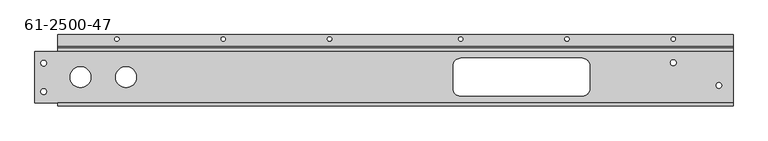
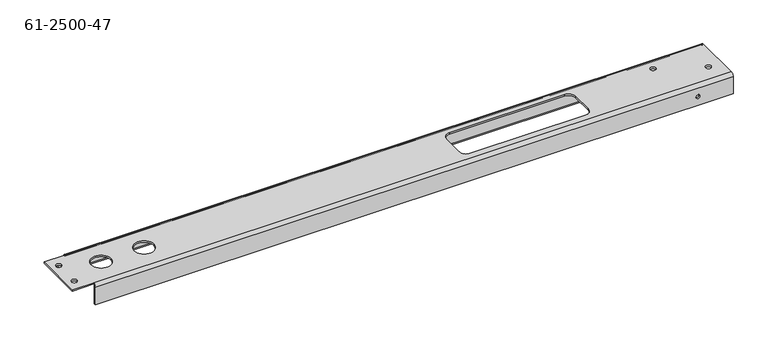
"""IFC4 building model written with IfcOpenShell, lengths in millimetres: proxy geometry, 61-2500-47."""

from ifc_helpers import new_model, si_unit, frame, origin, place, context, project, spatial, polyline, circle_curve, source, transform, mapped, element, save
from ifc_brep_helpers import plane_surface, cylinder_surface, revolved_surface, advanced_brep


def proxy_61_2500_47_b672dbe0(model_context):
    return source(origin(), model_context, "Body", "AdvancedBrep", [
        advanced_brep(
        [(169.8625, -48.41875, 0.0), (169.8625, -48.41875, 2.75336), (134.9375, -48.41875, 2.75336), (134.9375, -48.41875, 0.0), (93.6625, -48.41875, 0.0), (93.6625, -48.41875, 2.75336), (58.7375, -48.41875, 2.75336), (58.7375, -48.41875, 0.0), (19.44624, -72.67956, 0.0), (19.44624, -72.67956, 2.75336), (9.92124, -72.67956, 2.75336), (9.92124, -72.67956, 0.0), (19.44624, -24.9555, 0.0), (19.44624, -24.9555, 2.75336), (9.92124, -24.9555, 2.75336), (9.92124, -24.9555, 0.0), (1062.82998, -24.23414, 2.75336), (1062.82998, -24.23414, 0.0), (1072.35498, -24.23414, 0.0), (1072.35498, -24.23414, 2.75336), (1139.02998, -62.33414, 2.75336), (1139.02998, -62.33414, 0.0), (1148.55498, -62.33414, 0.0), (1148.55498, -62.33414, 2.75336), (1108.86748, -96.8375, -19.05), (1108.86748, -94.08414, -19.05), (1102.51748, -94.08414, -19.05), (1102.51748, -96.8375, -19.05), (140.73378, 15.45336, -35.34664), (140.73378, 15.45336, -32.59328), (133.49478, 15.45336, -32.59328), (133.49478, 15.45336, -35.34664), (496.33378, 15.45336, -35.34664), (496.33378, 15.45336, -32.59328), (489.09478, 15.45336, -32.59328), (489.09478, 15.45336, -35.34664), (893.41198, 15.45336, -35.34664), (893.41198, 15.45336, -32.59328), (886.17298, 15.45336, -32.59328), (886.17298, 15.45336, -35.34664), (1071.21198, 15.45336, -35.34664), (1071.21198, 15.45336, -32.59328), (1063.97298, 15.45336, -32.59328), (1063.97298, 15.45336, -35.34664), (715.61198, 15.45336, -35.34664), (715.61198, 15.45336, -32.59328), (708.37298, 15.45336, -32.59328), (708.37298, 15.45336, -35.34664), (318.53378, 15.45336, -35.34664), (318.53378, 15.45336, -32.59328), (311.29478, 15.45336, -32.59328), (311.29478, 15.45336, -35.34664), (1167.60498, 0.0, -2.75336), (1167.60498, -5.50672, 2.75336), (1167.60498, -91.33078, 2.75336), (1167.60498, -96.8375, -2.75336), (1167.60498, -96.8375, -35.34664), (1167.60498, -94.08414, -35.34664), (1167.60498, -94.08414, -2.75336), (1167.60498, -91.33078, 0.0), (1167.60498, -5.50672, 0.0), (1167.60498, -2.75336, -2.75336), (1167.60498, -2.75336, -29.83992), (1167.60498, 2.75336, -35.34664), (1167.60498, 22.64664, -35.34664), (1167.60498, 22.64664, -32.59328), (1167.60498, 2.75336, -32.59328), (1167.60498, 0.0, -29.83992), (38.1, -2.75336, -2.75336), (38.1, -2.75336, -29.83992), (38.1, -5.50672, 0.0), (38.1, -91.33078, 0.0), (0.0, -91.33078, 0.0), (0.0, -5.50672, 0.0), (915.19248, -16.68018, 0.0), (711.99248, -16.68018, 0.0), (699.29248, -29.38018, 0.0), (699.29248, -67.48018, 0.0), (711.99248, -80.18018, 0.0), (915.19248, -80.18018, 0.0), (927.89248, -67.48018, 0.0), (927.89248, -29.38018, 0.0), (38.1, -94.08414, -2.75336), (38.1, -94.08414, -35.34664), (38.1, -96.8375, -35.34664), (38.1, -96.8375, -2.75336), (38.1, -91.33078, 2.75336), (38.1, 2.75336, -32.59328), (38.1, 0.0, -29.83992), (38.1, 22.64664, -32.59328), (38.1, 22.64664, -35.34664), (38.1, 2.75336, -35.34664), (915.19248, -16.68018, 2.75336), (711.99248, -16.68018, 2.75336), (699.29248, -29.38018, 2.75336), (699.29248, -67.48018, 2.75336), (711.99248, -80.18018, 2.75336), (915.19248, -80.18018, 2.75336), (927.89248, -67.48018, 2.75336), (927.89248, -29.38018, 2.75336), (38.1, 0.0, -2.75336), (0.0, -91.33078, 2.75336), (38.1, -5.50672, 2.75336), (0.0, -5.50672, 2.75336)],
        [
            (0, 1),
            (1, 2, circle_curve(frame((152.4, -48.41875, 2.75336), z_axis=(0.0, 0.0, 1.0), x_axis=(1.0, 0.0, 0.0)), 17.4625)),
            (2, 3),
            (3, 0, circle_curve(frame((152.4, -48.41875, 0.0), z_axis=(0.0, 0.0, -1.0), x_axis=(1.0, 0.0, 0.0)), 17.4625)),
            (4, 5),
            (5, 6, circle_curve(frame((76.2, -48.41875, 2.75336), z_axis=(0.0, 0.0, 1.0), x_axis=(1.0, 0.0, 0.0)), 17.4625)),
            (6, 7),
            (7, 4, circle_curve(frame((76.2, -48.41875, 0.0), z_axis=(0.0, 0.0, -1.0), x_axis=(1.0, 0.0, 0.0)), 17.4625)),
            (8, 9),
            (9, 10, circle_curve(frame((14.68374, -72.67956, 2.75336), z_axis=(0.0, 0.0, 1.0), x_axis=(1.0, 0.0, 0.0)), 4.7625)),
            (10, 11),
            (11, 8, circle_curve(frame((14.68374, -72.67956, 0.0), z_axis=(0.0, 0.0, -1.0), x_axis=(1.0, 0.0, 0.0)), 4.7625)),
            (12, 13),
            (13, 14, circle_curve(frame((14.68374, -24.9555, 2.75336), z_axis=(0.0, 0.0, 1.0), x_axis=(1.0, 0.0, 0.0)), 4.7625)),
            (14, 15),
            (15, 12, circle_curve(frame((14.68374, -24.9555, 0.0), z_axis=(0.0, 0.0, -1.0), x_axis=(1.0, 0.0, 0.0)), 4.7625)),
            (16, 17),
            (17, 18, circle_curve(frame((1067.59248, -24.23414, 0.0), z_axis=(0.0, 0.0, -1.0), x_axis=(-1.0, 0.0, 0.0)), 4.7625)),
            (18, 19),
            (19, 16, circle_curve(frame((1067.59248, -24.23414, 2.75336), z_axis=(0.0, 0.0, 1.0), x_axis=(-1.0, 0.0, 0.0)), 4.7625)),
            (20, 21),
            (21, 22, circle_curve(frame((1143.79248, -62.33414, 0.0), z_axis=(0.0, 0.0, -1.0), x_axis=(-1.0, 0.0, 0.0)), 4.7625)),
            (22, 23),
            (23, 20, circle_curve(frame((1143.79248, -62.33414, 2.75336), z_axis=(0.0, 0.0, 1.0), x_axis=(-1.0, 0.0, 0.0)), 4.7625)),
            (24, 25),
            (25, 26, circle_curve(frame((1105.69248, -94.08414, -19.05), z_axis=(0.0, 1.0, 0.0), x_axis=(1.0, 0.0, 0.0)), 3.175)),
            (26, 27),
            (27, 24, circle_curve(frame((1105.69248, -96.8375, -19.05), z_axis=(0.0, -1.0, 0.0), x_axis=(1.0, 0.0, 0.0)), 3.175)),
            (28, 29),
            (29, 30, circle_curve(frame((137.11428, 15.45336, -32.59328), z_axis=(0.0, 0.0, 1.0), x_axis=(1.0, 0.0, 0.0)), 3.6195)),
            (30, 31),
            (31, 28, circle_curve(frame((137.11428, 15.45336, -35.34664), z_axis=(0.0, 0.0, -1.0), x_axis=(1.0, 0.0, 0.0)), 3.6195)),
            (32, 33),
            (33, 34, circle_curve(frame((492.71428, 15.45336, -32.59328), z_axis=(0.0, 0.0, 1.0), x_axis=(1.0, 0.0, 0.0)), 3.6195)),
            (34, 35),
            (35, 32, circle_curve(frame((492.71428, 15.45336, -35.34664), z_axis=(0.0, 0.0, -1.0), x_axis=(1.0, 0.0, 0.0)), 3.6195)),
            (36, 37),
            (37, 38, circle_curve(frame((889.79248, 15.45336, -32.59328), z_axis=(0.0, 0.0, 1.0), x_axis=(1.0, 0.0, 0.0)), 3.6195)),
            (38, 39),
            (39, 36, circle_curve(frame((889.79248, 15.45336, -35.34664), z_axis=(0.0, 0.0, -1.0), x_axis=(1.0, 0.0, 0.0)), 3.6195)),
            (40, 41),
            (41, 42, circle_curve(frame((1067.59248, 15.45336, -32.59328), z_axis=(0.0, 0.0, 1.0), x_axis=(1.0, 0.0, 0.0)), 3.6195)),
            (42, 43),
            (43, 40, circle_curve(frame((1067.59248, 15.45336, -35.34664), z_axis=(0.0, 0.0, -1.0), x_axis=(1.0, 0.0, 0.0)), 3.6195)),
            (44, 45),
            (45, 46, circle_curve(frame((711.99248, 15.45336, -32.59328), z_axis=(0.0, 0.0, 1.0), x_axis=(1.0, 0.0, 0.0)), 3.6195)),
            (46, 47),
            (47, 44, circle_curve(frame((711.99248, 15.45336, -35.34664), z_axis=(0.0, 0.0, -1.0), x_axis=(1.0, 0.0, 0.0)), 3.6195)),
            (48, 49),
            (49, 50, circle_curve(frame((314.91428, 15.45336, -32.59328), z_axis=(0.0, 0.0, 1.0), x_axis=(1.0, 0.0, 0.0)), 3.6195)),
            (50, 51),
            (51, 48, circle_curve(frame((314.91428, 15.45336, -35.34664), z_axis=(0.0, 0.0, -1.0), x_axis=(1.0, 0.0, 0.0)), 3.6195)),
            (48, 51, circle_curve(frame((314.91428, 15.45336, -35.34664), z_axis=(0.0, 0.0, -1.0), x_axis=(1.0, 0.0, 0.0)), 3.6195)),
            (50, 49, circle_curve(frame((314.91428, 15.45336, -32.59328), z_axis=(0.0, 0.0, 1.0), x_axis=(1.0, 0.0, 0.0)), 3.6195)),
            (44, 47, circle_curve(frame((711.99248, 15.45336, -35.34664), z_axis=(0.0, 0.0, -1.0), x_axis=(1.0, 0.0, 0.0)), 3.6195)),
            (46, 45, circle_curve(frame((711.99248, 15.45336, -32.59328), z_axis=(0.0, 0.0, 1.0), x_axis=(1.0, 0.0, 0.0)), 3.6195)),
            (40, 43, circle_curve(frame((1067.59248, 15.45336, -35.34664), z_axis=(0.0, 0.0, -1.0), x_axis=(1.0, 0.0, 0.0)), 3.6195)),
            (42, 41, circle_curve(frame((1067.59248, 15.45336, -32.59328), z_axis=(0.0, 0.0, 1.0), x_axis=(1.0, 0.0, 0.0)), 3.6195)),
            (36, 39, circle_curve(frame((889.79248, 15.45336, -35.34664), z_axis=(0.0, 0.0, -1.0), x_axis=(1.0, 0.0, 0.0)), 3.6195)),
            (38, 37, circle_curve(frame((889.79248, 15.45336, -32.59328), z_axis=(0.0, 0.0, 1.0), x_axis=(1.0, 0.0, 0.0)), 3.6195)),
            (32, 35, circle_curve(frame((492.71428, 15.45336, -35.34664), z_axis=(0.0, 0.0, -1.0), x_axis=(1.0, 0.0, 0.0)), 3.6195)),
            (34, 33, circle_curve(frame((492.71428, 15.45336, -32.59328), z_axis=(0.0, 0.0, 1.0), x_axis=(1.0, 0.0, 0.0)), 3.6195)),
            (28, 31, circle_curve(frame((137.11428, 15.45336, -35.34664), z_axis=(0.0, 0.0, -1.0), x_axis=(1.0, 0.0, 0.0)), 3.6195)),
            (30, 29, circle_curve(frame((137.11428, 15.45336, -32.59328), z_axis=(0.0, 0.0, 1.0), x_axis=(1.0, 0.0, 0.0)), 3.6195)),
            (24, 27, circle_curve(frame((1105.69248, -96.8375, -19.05), z_axis=(0.0, -1.0, 0.0), x_axis=(1.0, 0.0, 0.0)), 3.175)),
            (26, 25, circle_curve(frame((1105.69248, -94.08414, -19.05), z_axis=(0.0, 1.0, 0.0), x_axis=(1.0, 0.0, 0.0)), 3.175)),
            (20, 23, circle_curve(frame((1143.79248, -62.33414, 2.75336), z_axis=(0.0, 0.0, 1.0), x_axis=(-1.0, 0.0, 0.0)), 4.7625)),
            (22, 21, circle_curve(frame((1143.79248, -62.33414, 0.0), z_axis=(0.0, 0.0, -1.0), x_axis=(-1.0, 0.0, 0.0)), 4.7625)),
            (16, 19, circle_curve(frame((1067.59248, -24.23414, 2.75336), z_axis=(0.0, 0.0, 1.0), x_axis=(-1.0, 0.0, 0.0)), 4.7625)),
            (18, 17, circle_curve(frame((1067.59248, -24.23414, 0.0), z_axis=(0.0, 0.0, -1.0), x_axis=(-1.0, 0.0, 0.0)), 4.7625)),
            (52, 53, circle_curve(frame((1167.60498, -5.50672, -2.75336), z_axis=(1.0, 0.0, 0.0), x_axis=(0.0, 0.0, 1.0)), 5.50672)),
            (53, 54),
            (54, 55, circle_curve(frame((1167.60498, -91.33078, -2.75336), z_axis=(1.0, 0.0, 0.0), x_axis=(0.0, 0.0, 1.0)), 5.50672)),
            (55, 56),
            (56, 57),
            (57, 58),
            (58, 59, circle_curve(frame((1167.60498, -91.33078, -2.75336), z_axis=(-1.0, 0.0, 0.0), x_axis=(0.0, 0.0, 1.0)), 2.75336)),
            (59, 60),
            (60, 61, circle_curve(frame((1167.60498, -5.50672, -2.75336), z_axis=(-1.0, 0.0, 0.0), x_axis=(0.0, 0.0, 1.0)), 2.75336)),
            (61, 62),
            (62, 63, circle_curve(frame((1167.60498, 2.75336, -29.83992), z_axis=(1.0, 0.0, 0.0), x_axis=(0.0, -1.0, 0.0)), 5.50672)),
            (63, 64),
            (64, 65),
            (65, 66),
            (66, 67, circle_curve(frame((1167.60498, 2.75336, -29.83992), z_axis=(-1.0, 0.0, 0.0), x_axis=(0.0, -1.0, 0.0)), 2.75336)),
            (67, 52),
            (61, 68),
            (68, 69),
            (69, 62),
            (60, 70),
            (70, 68, circle_curve(frame((38.1, -5.50672, -2.75336), z_axis=(-1.0, 0.0, 0.0), x_axis=(0.0, 0.0, 1.0)), 2.75336)),
            (59, 71),
            (71, 72),
            (72, 73),
            (73, 70),
            (11, 8, circle_curve(frame((14.68374, -72.67956, 0.0), z_axis=(0.0, 0.0, 1.0), x_axis=(1.0, 0.0, 0.0)), 4.7625)),
            (15, 12, circle_curve(frame((14.68374, -24.9555, 0.0), z_axis=(0.0, 0.0, 1.0), x_axis=(1.0, 0.0, 0.0)), 4.7625)),
            (74, 75),
            (75, 76, circle_curve(frame((711.99248, -29.38018, 0.0), z_axis=(0.0, 0.0, 1.0), x_axis=(0.0, -1.0, 0.0)), 12.7)),
            (76, 77),
            (77, 78, circle_curve(frame((711.99248, -67.48018, 0.0), z_axis=(0.0, 0.0, 1.0), x_axis=(1.0, 0.0, 0.0)), 12.7)),
            (78, 79),
            (79, 80, circle_curve(frame((915.19248, -67.48018, 0.0), z_axis=(0.0, 0.0, 1.0), x_axis=(0.0, 1.0, 0.0)), 12.7)),
            (80, 81),
            (81, 74, circle_curve(frame((915.19248, -29.38018, 0.0), z_axis=(0.0, 0.0, 1.0), x_axis=(-1.0, 0.0, 0.0)), 12.7)),
            (7, 4, circle_curve(frame((76.2, -48.41875, 0.0), z_axis=(0.0, 0.0, 1.0), x_axis=(1.0, 0.0, 0.0)), 17.4625)),
            (3, 0, circle_curve(frame((152.4, -48.41875, 0.0), z_axis=(0.0, 0.0, 1.0), x_axis=(1.0, 0.0, 0.0)), 17.4625)),
            (58, 82),
            (82, 71, circle_curve(frame((38.1, -91.33078, -2.75336), z_axis=(-1.0, 0.0, 0.0), x_axis=(0.0, 0.0, 1.0)), 2.75336)),
            (57, 83),
            (83, 82),
            (56, 84),
            (84, 83),
            (55, 85),
            (85, 84),
            (54, 86),
            (86, 85, circle_curve(frame((38.1, -91.33078, -2.75336), z_axis=(1.0, 0.0, 0.0), x_axis=(0.0, 0.0, 1.0)), 5.50672)),
            (66, 87),
            (87, 88, circle_curve(frame((38.1, 2.75336, -29.83992), z_axis=(-1.0, 0.0, 0.0), x_axis=(0.0, -1.0, 0.0)), 2.75336)),
            (88, 67),
            (65, 89),
            (89, 87),
            (64, 90),
            (90, 89),
            (63, 91),
            (91, 90),
            (69, 91, circle_curve(frame((38.1, 2.75336, -29.83992), z_axis=(1.0, 0.0, 0.0), x_axis=(0.0, -1.0, 0.0)), 5.50672)),
            (14, 13, circle_curve(frame((14.68374, -24.9555, 2.75336), z_axis=(0.0, 0.0, 1.0), x_axis=(1.0, 0.0, 0.0)), 4.7625)),
            (10, 9, circle_curve(frame((14.68374, -72.67956, 2.75336), z_axis=(0.0, 0.0, 1.0), x_axis=(1.0, 0.0, 0.0)), 4.7625)),
            (74, 92),
            (92, 93),
            (93, 75),
            (93, 94, circle_curve(frame((711.99248, -29.38018, 2.75336), z_axis=(0.0, 0.0, 1.0), x_axis=(0.0, -1.0, 0.0)), 12.7)),
            (94, 76),
            (94, 95),
            (95, 77),
            (95, 96, circle_curve(frame((711.99248, -67.48018, 2.75336), z_axis=(0.0, 0.0, 1.0), x_axis=(1.0, 0.0, 0.0)), 12.7)),
            (96, 78),
            (96, 97),
            (97, 79),
            (97, 98, circle_curve(frame((915.19248, -67.48018, 2.75336), z_axis=(0.0, 0.0, 1.0), x_axis=(0.0, 1.0, 0.0)), 12.7)),
            (98, 80),
            (98, 99),
            (99, 81),
            (99, 92, circle_curve(frame((915.19248, -29.38018, 2.75336), z_axis=(0.0, 0.0, 1.0), x_axis=(-1.0, 0.0, 0.0)), 12.7)),
            (6, 5, circle_curve(frame((76.2, -48.41875, 2.75336), z_axis=(0.0, 0.0, 1.0), x_axis=(1.0, 0.0, 0.0)), 17.4625)),
            (2, 1, circle_curve(frame((152.4, -48.41875, 2.75336), z_axis=(0.0, 0.0, 1.0), x_axis=(1.0, 0.0, 0.0)), 17.4625)),
            (88, 100),
            (100, 52),
            (71, 86),
            (86, 101),
            (101, 72),
            (53, 102),
            (102, 103),
            (103, 101),
            (100, 102, circle_curve(frame((38.1, -5.50672, -2.75336), z_axis=(1.0, 0.0, 0.0), x_axis=(0.0, 0.0, 1.0)), 5.50672)),
            (102, 70),
            (73, 103),
        ],
        [
            revolved_surface(polyline([(169.8625, -48.41875, 2.753359999999999), (169.8625, -48.41875, 0.0)]), (152.4, -48.41875, -6.77164), (0.0, 0.0, 1.0)),
            revolved_surface(polyline([(93.6625, -48.41875, 2.753359999999999), (93.6625, -48.41875, 0.0)]), (76.2, -48.41875, -6.77164), (0.0, 0.0, 1.0)),
            revolved_surface(polyline([(19.44624, -72.67956, 2.75336), (19.44624, -72.67956, 0.0)]), (14.68374, -72.67956, 1.37668), (0.0, 0.0, 1.0)),
            revolved_surface(polyline([(19.44624, -24.9555, 2.75336), (19.44624, -24.9555, 0.0)]), (14.68374, -24.9555, 1.37668), (0.0, 0.0, 1.0)),
            revolved_surface(polyline([(1062.82998, -24.23414, 0.0), (1062.82998, -24.23414, 2.75336)]), (1067.59248, -24.23414, 1.37668), (0.0, 0.0, -1.0)),
            revolved_surface(polyline([(1139.02998, -62.33414, 0.0), (1139.02998, -62.33414, 2.75336)]), (1143.79248, -62.33414, 1.37668), (0.0, 0.0, -1.0)),
            revolved_surface(polyline([(1108.86748, -94.08414, -19.05), (1108.86748, -96.8375, -19.05)]), (1105.69248, -95.46082, -19.05), (0.0, 1.0, 0.0)),
            revolved_surface(polyline([(140.73378, 15.45336, -32.59328), (140.73378, 15.45336, -35.34664)]), (137.11428, 15.45336, -33.96996), (0.0, 0.0, 1.0)),
            revolved_surface(polyline([(496.33378, 15.45336, -32.59328), (496.33378, 15.45336, -35.34664)]), (492.71428, 15.45336, -33.96996), (0.0, 0.0, 1.0)),
            revolved_surface(polyline([(893.41198, 15.45336, -32.59328), (893.41198, 15.45336, -35.34664)]), (889.79248, 15.45336, -33.96996), (0.0, 0.0, 1.0)),
            revolved_surface(polyline([(1071.21198, 15.45336, -32.59328), (1071.21198, 15.45336, -35.34664)]), (1067.59248, 15.45336, -33.96996), (0.0, 0.0, 1.0)),
            revolved_surface(polyline([(715.61198, 15.45336, -32.59328), (715.61198, 15.45336, -35.34664)]), (711.99248, 15.45336, -33.96996), (0.0, 0.0, 1.0)),
            revolved_surface(polyline([(318.53378000000004, 15.45336, -32.59328), (318.53378000000004, 15.45336, -35.34664)]), (314.91428, 15.45336, -33.96996), (0.0, 0.0, 1.0)),
            plane_surface(frame((1167.60498, 107.4471231, 2.75336), z_axis=(1.0, 0.0, 0.0), x_axis=(0.0, 0.0, 1.0))),
            plane_surface(frame((1169.19248, -2.75336, -16.29664), z_axis=(0.0, -1.0, 0.0), x_axis=(0.0, 0.0, 1.0))),
            revolved_surface(polyline([(38.09999999999991, -5.50672, 0.0), (1167.60498, -5.50672, 0.0)]), (1169.19248, -5.50672, -2.75336), (-1.0, 0.0, 0.0)),
            plane_surface(frame((1169.19248, -48.41875, 0.0), z_axis=(0.0, 0.0, -1.0), x_axis=(1.0, 0.0, 0.0))),
            revolved_surface(polyline([(1167.60498, -91.33078, 0.0), (38.09999999999991, -91.33078, 0.0)]), (1169.19248, -91.33078, -2.75336), (1.0, 0.0, 0.0)),
            plane_surface(frame((1169.19248, -94.08414, -16.29664), z_axis=(0.0, 1.0, 0.0), x_axis=(0.0, 0.0, 1.0))),
            plane_surface(frame((38.1, -96.8375, -35.34664), z_axis=(0.0, 0.0, -1.0), x_axis=(-1.0, 0.0, 0.0))),
            plane_surface(frame((1169.19248, -96.8375, -16.29664), z_axis=(0.0, -1.0, 0.0), x_axis=(0.0, 0.0, 1.0))),
            cylinder_surface(frame((1169.19248, -91.33078, -2.75336), z_axis=(1.0, 0.0, 0.0), x_axis=(0.0, 0.0, 1.0)), 5.50672),
            revolved_surface(polyline([(1167.60498, 0.0, -29.83992), (38.09999999999991, 0.0, -29.83992)]), (1169.19248, 2.75336, -29.83992), (1.0, 0.0, 0.0)),
            plane_surface(frame((1169.19248, 9.94664, -32.59328), z_axis=(0.0, 0.0, 1.0), x_axis=(1.0, 0.0, 0.0))),
            plane_surface(frame((38.1, 22.64664, -35.34664), z_axis=(0.0, 1.0, 0.0), x_axis=(0.0, 0.0, 1.0))),
            plane_surface(frame((1169.19248, 9.94664, -35.34664), z_axis=(0.0, 0.0, -1.0), x_axis=(1.0, 0.0, 0.0))),
            cylinder_surface(frame((1169.19248, 2.75336, -29.83992), z_axis=(1.0, 0.0, 0.0), x_axis=(0.0, -1.0, 0.0)), 5.50672),
            plane_surface(frame((813.59248, -16.68018, 2.75336), z_axis=(0.0, -1.0, 0.0), x_axis=(0.0, 0.0, 1.0))),
            revolved_surface(polyline([(711.99248, -42.08018, 0.0), (711.99248, -42.08018, 2.75336)]), (711.99248, -29.38018, 2.75336), (0.0, 0.0, -1.0)),
            plane_surface(frame((699.29248, -29.38018, 2.75336), z_axis=(1.0, 0.0, 0.0), x_axis=(0.0, 0.0, 1.0))),
            revolved_surface(polyline([(724.69248, -67.48018, 0.0), (724.69248, -67.48018, 2.75336)]), (711.99248, -67.48018, 2.75336), (0.0, 0.0, -1.0)),
            plane_surface(frame((711.99248, -80.18018, 2.75336), z_axis=(0.0, 1.0, 0.0), x_axis=(0.0, 0.0, -1.0))),
            revolved_surface(polyline([(915.19248, -54.78018, 0.0), (915.19248, -54.78018, 2.75336)]), (915.19248, -67.48018, 2.75336), (0.0, 0.0, -1.0)),
            plane_surface(frame((927.89248, -67.48018, 2.75336), z_axis=(-1.0, 0.0, 0.0), x_axis=(0.0, 0.0, -1.0))),
            revolved_surface(polyline([(902.49248, -29.38018, 0.0), (902.49248, -29.38018, 2.75336)]), (915.19248, -29.38018, 2.75336), (0.0, 0.0, -1.0)),
            plane_surface(frame((1169.19248, 0.0, -16.29664), z_axis=(0.0, 1.0, 0.0), x_axis=(0.0, 0.0, 1.0))),
            plane_surface(frame((2300.28496, -91.33078, 2.75336), z_axis=(0.0, -1.0, 0.0), x_axis=(0.0, 0.0, 1.0))),
            plane_surface(frame((1169.19248, -48.41875, 2.75336), z_axis=(0.0, 0.0, 1.0), x_axis=(1.0, 0.0, 0.0))),
            cylinder_surface(frame((1169.19248, -5.50672, -2.75336), z_axis=(-1.0, 0.0, 0.0), x_axis=(0.0, 0.0, 1.0)), 5.50672),
            plane_surface(frame((38.1, -5.50672, 2.75336), z_axis=(0.0, 1.0, 0.0), x_axis=(0.0, 0.0, -1.0))),
            plane_surface(frame((0.0, -96.8375, 0.0), z_axis=(-1.0, 0.0, 0.0), x_axis=(0.0, 0.0, 1.0))),
            plane_surface(frame((38.1, -96.8375, 2.75336), z_axis=(-1.0, 0.0, 0.0), x_axis=(0.0, 0.0, 1.0))),
            plane_surface(frame((38.1, -2.75336, -35.34664), z_axis=(-1.0, 0.0, 0.0), x_axis=(0.0, 0.0, 1.0))),
        ],
        [
            (0, [[1, 2, 3, 4]]),
            (1, [[5, 6, 7, 8]]),
            (2, [[9, 10, 11, 12]]),
            (3, [[13, 14, 15, 16]]),
            (4, [[17, 18, 19, 20]]),
            (5, [[21, 22, 23, 24]]),
            (6, [[25, 26, 27, 28]]),
            (7, [[29, 30, 31, 32]]),
            (8, [[33, 34, 35, 36]]),
            (9, [[37, 38, 39, 40]]),
            (10, [[41, 42, 43, 44]]),
            (11, [[45, 46, 47, 48]]),
            (12, [[49, 50, 51, 52]]),
            (12, [[-49, 53, -51, 54]]),
            (11, [[-45, 55, -47, 56]]),
            (10, [[-41, 57, -43, 58]]),
            (9, [[-37, 59, -39, 60]]),
            (8, [[-33, 61, -35, 62]]),
            (7, [[-29, 63, -31, 64]]),
            (6, [[-25, 65, -27, 66]]),
            (5, [[-21, 67, -23, 68]]),
            (4, [[-17, 69, -19, 70]]),
            (13, [[71, 72, 73, 74, 75, 76, 77, 78, 79, 80, 81, 82, 83, 84, 85, 86]]),
            (14, [[-80, 87, 88, 89]]),
            (15, [[-79, 90, 91, -87]]),
            (16, [[-78, 92, 93, 94, 95, -90], [-12, 96], [-16, 97], [-68, -22], [-70, -18], [98, 99, 100, 101, 102, 103, 104, 105], [106, -8], [107, -4]]),
            (17, [[-77, 108, 109, -92]]),
            (18, [[-76, 110, 111, -108], [-66, -26]]),
            (19, [[-75, 112, 113, -110]]),
            (20, [[-74, 114, 115, -112], [-28, -65]]),
            (21, [[-73, 116, 117, -114]]),
            (22, [[-85, 118, 119, 120]]),
            (23, [[-84, 121, 122, -118], [-54, -50], [-56, -46], [-58, -42], [-60, -38], [-62, -34], [-64, -30]]),
            (24, [[-83, 123, 124, -121]]),
            (25, [[-82, 125, 126, -123], [-32, -63], [-36, -61], [-40, -59], [-44, -57], [-48, -55], [-52, -53]]),
            (26, [[-81, -89, 127, -125]]),
            (3, [[-13, -97, -15, 128]]),
            (2, [[-9, -96, -11, 129]]),
            (27, [[-98, 130, 131, 132]]),
            (28, [[-99, -132, 133, 134]]),
            (29, [[-100, -134, 135, 136]]),
            (30, [[-101, -136, 137, 138]]),
            (31, [[-102, -138, 139, 140]]),
            (32, [[-103, -140, 141, 142]]),
            (33, [[-104, -142, 143, 144]]),
            (34, [[-105, -144, 145, -130]]),
            (1, [[-5, -106, -7, 146]]),
            (0, [[-1, -107, -3, 147]]),
            (35, [[-86, -120, 148, 149]]),
            (36, [[150, 151, 152, -93]]),
            (37, [[-72, 153, 154, 155, -151, -116], [-20, -69], [-24, -67], [-128, -14], [-129, -10], [-131, -145, -143, -141, -139, -137, -135, -133], [-146, -6], [-147, -2]]),
            (38, [[-71, -149, 156, -153]]),
            (39, [[157, -95, 158, -154]]),
            (40, [[-152, -155, -158, -94]]),
            (41, [[-111, -113, -115, -117, -150, -109]]),
            (42, [[-122, -124, -126, -127, -88, -91, -157, -156, -148, -119]]),
        ],
    ),
    ])


if __name__ == "__main__":
    model = new_model("IFC4")
    model_context = context("Model", 3, world=origin())
    ifc_project = project(units=[si_unit("LENGTHUNIT", "METRE", prefix="MILLI")], contexts=[model_context])
    site = spatial("IfcSite", under=ifc_project)
    building = spatial("IfcBuilding", under=site)
    placement = place(None, origin())
    proxy_61_2500_47_shape = proxy_61_2500_47_b672dbe0(model_context)
    element("IfcBuildingElementProxy", 1, Name="61-2500-47", ObjectType="61-2500-47", at=placement, inside=building, context=model_context, shape_type="MappedRepresentation", body=[
        mapped(proxy_61_2500_47_shape, transform((0.0, 0.0, 0.0), x_axis=(1.0, 0.0, 0.0), y_axis=(0.0, 1.0, 0.0), z_axis=(0.0, 0.0, 1.0))),
    ])
    save(model, "model.ifc")
